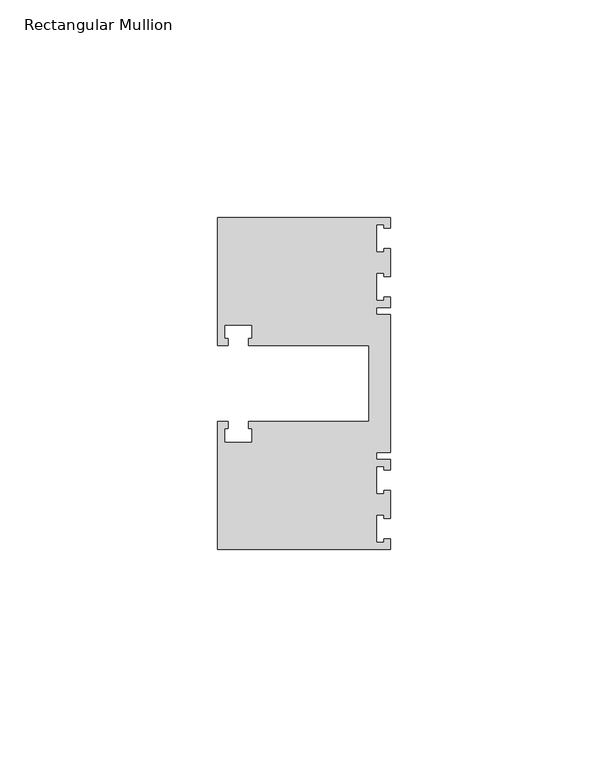
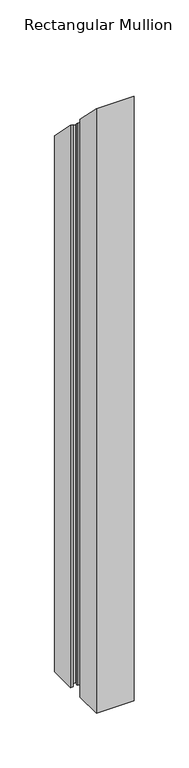
"""IFC4 building model written with IfcOpenShell, lengths in millimetres: member geometry, Rectangular Mullion."""

from ifc_helpers import new_model, si_unit, origin, place, context, project, spatial, faceted_brep, source, transform, mapped, element, save


def rectangular_mullion_a3e504bd(model_context):
    return source(origin(), model_context, "Body", "Brep", [
        faceted_brep([(0.0, -38.1, -635.0), (-39.6875, -38.1, -635.0), (-39.6875, -8.73125, -635.0), (-37.30625, -8.73125, -635.0), (-37.30625, -10.31875, -635.0), (-38.1, -10.31875, -635.0), (-38.1, -13.49375, -635.0), (-31.75, -13.49375, -635.0), (-31.75, -10.31875, -635.0), (-32.54375, -10.31875, -635.0), (-32.54375, -8.73125, -635.0), (-4.8585733, -8.73125, -635.0), (-4.8585733, 8.73125, -635.0), (-32.54375, 8.73125, -635.0), (-32.54375, 10.31875, -635.0), (-31.75, 10.31875, -635.0), (-31.75, 13.49375, -635.0), (-38.1, 13.49375, -635.0), (-38.1, 10.31875, -635.0), (-37.30625, 10.31875, -635.0), (-37.30625, 8.73125, -635.0), (-39.6875, 8.73125, -635.0), (-39.6875, 38.1, -635.0), (0.0, 38.1, -635.0), (0.0, 35.71875, -635.0), (-1.4999946, 35.71875, -635.0), (-1.4999946, 36.5125, -635.0), (-3.175, 36.5125, -635.0), (-3.175, 30.1625, -635.0), (-1.4999946, 30.1625, -635.0), (-1.4999946, 30.95625, -635.0), (0.0, 30.95625, -635.0), (0.0, 24.60625, -635.0), (-1.4999946, 24.60625, -635.0), (-1.4999946, 25.4, -635.0), (-3.175, 25.4, -635.0), (-3.175, 19.05, -635.0), (-1.4999946, 19.05, -635.0), (-1.4999946, 19.84375, -635.0), (0.0, 19.84375, -635.0), (0.0, 17.4625, -635.0), (-3.175, 17.4625, -635.0), (-3.175, 15.875, -635.0), (0.0, 15.875, -635.0), (0.0, -15.875, -635.0), (-3.175, -15.875, -635.0), (-3.175, -17.4625, -635.0), (0.0, -17.4625, -635.0), (0.0, -19.84375, -635.0), (-1.4999946, -19.84375, -635.0), (-1.4999946, -19.05, -635.0), (-3.175, -19.05, -635.0), (-3.175, -25.4, -635.0), (-1.4999946, -25.4, -635.0), (-1.4999946, -24.60625, -635.0), (0.0, -24.60625, -635.0), (0.0, -30.95625, -635.0), (-1.4999946, -30.95625, -635.0), (-1.4999946, -30.1625, -635.0), (-3.175, -30.1625, -635.0), (-3.175, -36.5125, -635.0), (-1.4999946, -36.5125, -635.0), (-1.4999946, -35.71875, -635.0), (0.0, -35.71875, -635.0), (0.0, -35.71875, 35.71875), (0.0, -38.1, 38.1), (-1.4999946, -35.71875, 35.71875), (-1.4999946, -36.5125, 36.5125), (-3.175, -36.5125, 36.5125), (-3.175, -30.1625, 30.1625), (-1.4999946, -30.1625, 30.1625), (-1.4999946, -30.95625, 30.95625), (0.0, -30.95625, 30.95625), (0.0, -24.60625, 24.60625), (-1.4999946, -24.60625, 24.60625), (-1.4999946, -25.4, 25.4), (-3.175, -25.4, 25.4), (-3.175, -19.05, 19.05), (-1.4999946, -19.05, 19.05), (-1.4999946, -19.84375, 19.84375), (0.0, -19.84375, 19.84375), (0.0, -17.4625, 17.4625), (-3.175, -17.4625, 17.4625), (-3.175, -15.875, 15.875), (0.0, -15.875, 15.875), (0.0, 15.875, -15.875), (-3.175, 15.875, -15.875), (-3.175, 17.4625, -17.4625), (0.0, 17.4625, -17.4625), (0.0, 19.84375, -19.84375), (-1.4999946, 19.84375, -19.84375), (-1.4999946, 19.05, -19.05), (-3.175, 19.05, -19.05), (-3.175, 25.4, -25.4), (-1.4999946, 25.4, -25.4), (-1.4999946, 24.60625, -24.60625), (0.0, 24.60625, -24.60625), (0.0, 30.95625, -30.95625), (-1.4999946, 30.95625, -30.95625), (-1.4999946, 30.1625, -30.1625), (-3.175, 30.1625, -30.1625), (-3.175, 36.5125, -36.5125), (-1.4999946, 36.5125, -36.5125), (-1.4999946, 35.71875, -35.71875), (0.0, 35.71875, -35.71875), (0.0, 38.1, -38.1), (-39.6875, 38.1, -38.1), (-39.6875, 8.73125, -8.73125), (-37.30625, 8.73125, -8.73125), (-37.30625, 10.31875, -10.31875), (-38.1, 10.31875, -10.31875), (-38.1, 13.49375, -13.49375), (-31.75, 13.49375, -13.49375), (-31.75, 10.31875, -10.31875), (-32.54375, 10.31875, -10.31875), (-32.54375, 8.73125, -8.73125), (-4.8585733, 8.73125, -8.73125), (-4.8585733, -8.73125, 8.73125), (-32.54375, -8.73125, 8.73125), (-32.54375, -10.31875, 10.31875), (-31.75, -10.31875, 10.31875), (-31.75, -13.49375, 13.49375), (-38.1, -13.49375, 13.49375), (-38.1, -10.31875, 10.31875), (-37.30625, -10.31875, 10.31875), (-37.30625, -8.73125, 8.73125), (-39.6875, -8.73125, 8.73125), (-39.6875, -38.1, 38.1)], [[[0, 1, 2, 3, 4, 5, 6, 7, 8, 9, 10, 11, 12, 13, 14, 15, 16, 17, 18, 19, 20, 21, 22, 23, 24, 25, 26, 27, 28, 29, 30, 31, 32, 33, 34, 35, 36, 37, 38, 39, 40, 41, 42, 43, 44, 45, 46, 47, 48, 49, 50, 51, 52, 53, 54, 55, 56, 57, 58, 59, 60, 61, 62, 63]], [[64, 65, 0, 63]], [[66, 64, 63, 62]], [[67, 66, 62, 61]], [[68, 67, 61, 60]], [[69, 68, 60, 59]], [[70, 69, 59, 58]], [[71, 70, 58, 57]], [[72, 71, 57, 56]], [[73, 72, 56, 55]], [[74, 73, 55, 54]], [[75, 74, 54, 53]], [[76, 75, 53, 52]], [[77, 76, 52, 51]], [[78, 77, 51, 50]], [[79, 78, 50, 49]], [[80, 79, 49, 48]], [[81, 80, 48, 47]], [[82, 81, 47, 46]], [[83, 82, 46, 45]], [[84, 83, 45, 44]], [[85, 84, 44, 43]], [[86, 85, 43, 42]], [[87, 86, 42, 41]], [[88, 87, 41, 40]], [[89, 88, 40, 39]], [[90, 89, 39, 38]], [[91, 90, 38, 37]], [[92, 91, 37, 36]], [[93, 92, 36, 35]], [[94, 93, 35, 34]], [[95, 94, 34, 33]], [[96, 95, 33, 32]], [[97, 96, 32, 31]], [[98, 97, 31, 30]], [[99, 98, 30, 29]], [[100, 99, 29, 28]], [[101, 100, 28, 27]], [[102, 101, 27, 26]], [[103, 102, 26, 25]], [[104, 103, 25, 24]], [[105, 104, 24, 23]], [[106, 105, 23, 22]], [[107, 106, 22, 21]], [[108, 107, 21, 20]], [[109, 108, 20, 19]], [[110, 109, 19, 18]], [[111, 110, 18, 17]], [[112, 111, 17, 16]], [[113, 112, 16, 15]], [[114, 113, 15, 14]], [[115, 114, 14, 13]], [[116, 115, 13, 12]], [[117, 116, 12, 11]], [[118, 117, 11, 10]], [[119, 118, 10, 9]], [[120, 119, 9, 8]], [[121, 120, 8, 7]], [[122, 121, 7, 6]], [[123, 122, 6, 5]], [[124, 123, 5, 4]], [[125, 124, 4, 3]], [[126, 125, 3, 2]], [[127, 126, 2, 1]], [[65, 127, 1, 0]], [[65, 64, 66, 67, 68, 69, 70, 71, 72, 73, 74, 75, 76, 77, 78, 79, 80, 81, 82, 83, 84, 85, 86, 87, 88, 89, 90, 91, 92, 93, 94, 95, 96, 97, 98, 99, 100, 101, 102, 103, 104, 105, 106, 107, 108, 109, 110, 111, 112, 113, 114, 115, 116, 117, 118, 119, 120, 121, 122, 123, 124, 125, 126, 127]]]),
    ])


if __name__ == "__main__":
    model = new_model("IFC4")
    model_context = context("Model", 3, world=origin())
    ifc_project = project(units=[si_unit("LENGTHUNIT", "METRE", prefix="MILLI")], contexts=[model_context])
    site = spatial("IfcSite", under=ifc_project)
    building = spatial("IfcBuilding", under=site)
    placement = place(None, origin())
    rectangular_mullion_shape = rectangular_mullion_a3e504bd(model_context)
    element("IfcMember", 1, ObjectType="Rectangular Mullion", at=placement, inside=building, context=model_context, shape_type="MappedRepresentation", body=[
        mapped(rectangular_mullion_shape, transform((0.0, 0.0, 0.0), x_axis=(1.0, 0.0, 0.0), y_axis=(0.0, 1.0, 0.0), z_axis=(0.0, 0.0, 1.0))),
    ])
    save(model, "model.ifc")
